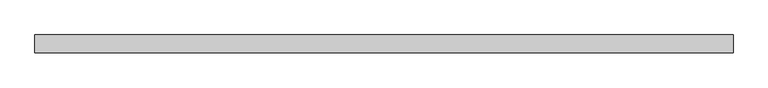
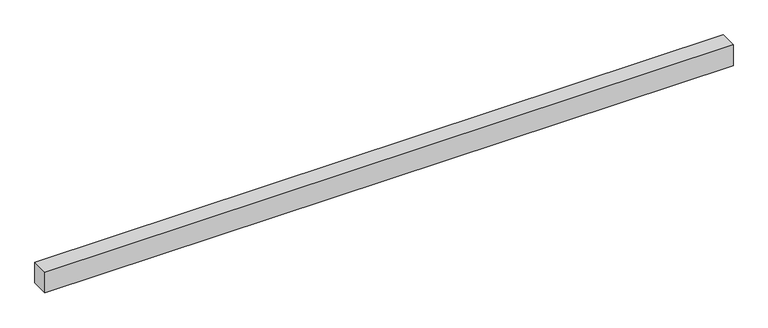
"""IFC4 building model written with IfcOpenShell, lengths in millimetres: proxy geometry."""

from ifc_helpers import new_model, si_unit, origin, origin_with_axes, place, context, project, spatial, polyline, outline, extrude, source, transform, mapped, element, save


def generic_models_04867016(model_context):
    return source(origin(), model_context, "Body", "SweptSolid", [
        extrude(outline(polyline([(3154.3228899, -40.0), (0.0, -40.0), (0.0, 40.0), (3154.3228899, 40.0), (3154.3228899, -40.0)])), origin_with_axes(), (0.0, 0.0, 1.0), 100.0),
    ])


if __name__ == "__main__":
    model = new_model("IFC4")
    model_context = context("Model", 3, world=origin())
    ifc_project = project(units=[si_unit("LENGTHUNIT", "METRE", prefix="MILLI")], contexts=[model_context])
    site = spatial("IfcSite", under=ifc_project)
    building = spatial("IfcBuilding", under=site)
    placement = place(None, origin())
    generic_models_shape = generic_models_04867016(model_context)
    element("IfcBuildingElementProxy", 1, Name="Generic Models", at=placement, inside=building, context=model_context, shape_type="MappedRepresentation", body=[
        mapped(generic_models_shape, transform((0.0, 0.0, 0.0), x_axis=(1.0, 0.0, 0.0), y_axis=(0.0, 1.0, 0.0), z_axis=(0.0, 0.0, 1.0))),
    ])
    save(model, "model.ifc")
